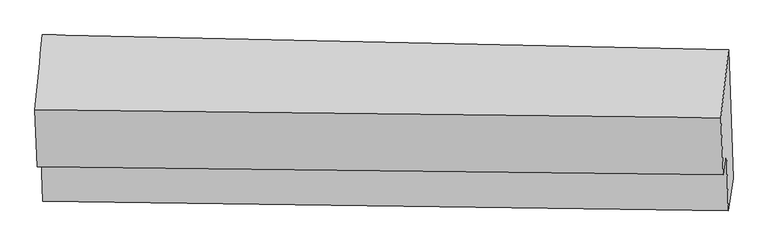
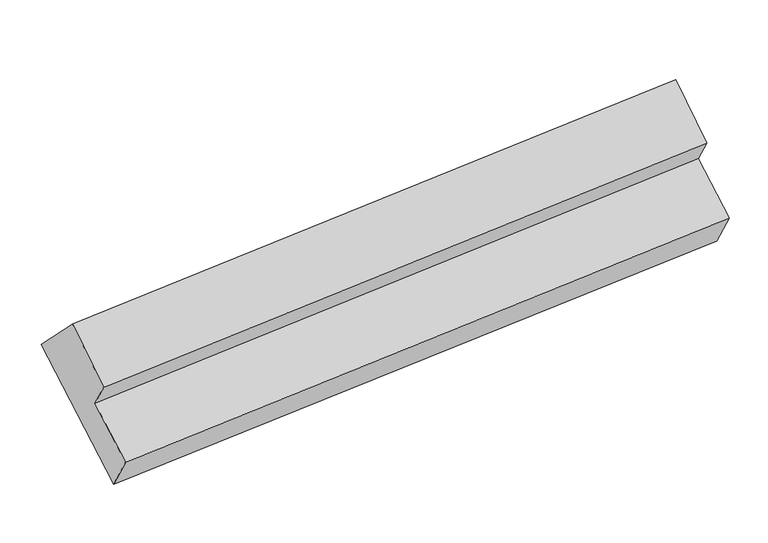
"""IFC4 building model written with IfcOpenShell, lengths in millimetres: proxy geometry."""

from ifc_helpers import new_model, si_unit, frame, origin, place, context, project, spatial, source, transform, mapped, element, save
from ifc_brep_helpers import plane_surface, spline_surface, advanced_brep


def generic_models_a821c9e8(model_context):
    return source(origin(), model_context, "Body", "AdvancedBrep", [
        advanced_brep(
        [(-6100.8882861, -484.1112927, 1693.7935896), (-6171.2514262, -1192.3726621, 2384.6230145), (337.3478464, -1268.3731815, 2960.6703671), (410.6433851, -622.687177, 2219.4840858), (-6056.2795615, -1768.7016315, 849.8409331), (453.0763101, -1844.6213589, 1416.695393), (-6098.6644756, -2063.8053912, 1296.7815273), (409.0924027, -2150.8580633, 1880.4970563), (-6117.4978421, -1521.4639369, 1653.0900696), (390.113983, -1604.3395319, 2239.5498629), (-6148.2613853, -1735.6542319, 1977.4855899), (360.3378873, -1811.6547512, 2553.5329425)],
        [
            (0, 1),
            (1, 2),
            (2, 3),
            (3, 0),
            (4, 0),
            (3, 5),
            (5, 4),
            (6, 4),
            (5, 7),
            (7, 6),
            (8, 6),
            (7, 9),
            (9, 8),
            (10, 8),
            (9, 11),
            (11, 10),
            (1, 10),
            (11, 2),
        ],
        [
            spline_surface(1, 1, [[(-6100.8882861, -484.1112927, 1693.7935896), (410.6433851, -622.687177, 2219.4840858)], [(-6171.2514262, -1192.3726621, 2384.6230145), (337.3478464, -1268.3731815, 2960.6703671)]], [2, 2], [2, 2], [0.0, 1.0], [0.0, 1.0]),
            plane_surface(frame((-6078.5839238, -1126.4064621, 1271.8172614), z_axis=(0.07885132436075923, 0.5492855266183814, -0.831906171929336), x_axis=(-0.029010662405060596, 0.8354154247279327, 0.5488528487613666))),
            plane_surface(frame((-6077.4720185, -1916.2535114, 1073.3112302), z_axis=(0.03798442925776639, -0.8355541645661354, -0.5480934420426404), x_axis=(0.07889220598540587, 0.5492847407553063, -0.8319028148817218))),
            plane_surface(frame((-6108.0811589, -1792.6346641, 1474.9357984), z_axis=(-0.08194182360600022, -0.5492235035710104, 0.8316484116916881), x_axis=(0.029010662404995603, -0.8354154247279305, -0.5488528487613732))),
            plane_surface(frame((-6132.8796137, -1628.5590844, 1815.2878297), z_axis=(0.03874662031852782, -0.8355628269473266, -0.5480268803970147), x_axis=(0.07889220598540592, 0.5492847407553061, -0.831902814881722))),
            plane_surface(frame((-6159.7564058, -1464.013447, 2181.0543022), z_axis=(-0.07747836326324495, -0.5999895625854166, 0.7962472153889201), x_axis=(0.033843876874773575, -0.7997704151759358, -0.599351211734319))),
            plane_surface(frame((393.4353024, -1550.422344, 2211.7382846), z_axis=(0.9964609381714767, -0.019166160283859885, 0.08184287994928895), x_axis=(0.029010662404995603, -0.8354154247279305, -0.5488528487613732))),
            plane_surface(frame((-6115.4738295, -1461.0181911, 1642.602454), z_axis=(-0.996460938171477, 0.01916616028384522, -0.08184287994929015), x_axis=(0.07093900395738509, 0.7140579001889854, -0.6964832897458713))),
        ],
        [
            (0, [[1, 2, 3, 4]]),
            (1, [[5, -4, 6, 7]]),
            (2, [[8, -7, 9, 10]]),
            (3, [[11, -10, 12, 13]]),
            (4, [[14, -13, 15, 16]]),
            (5, [[17, -16, 18, -2]]),
            (6, [[-12, -9, -6, -3, -18, -15]]),
            (7, [[-1, -5, -8, -11, -14, -17]]),
        ],
    ),
    ])


if __name__ == "__main__":
    model = new_model("IFC4")
    model_context = context("Model", 3, world=origin())
    ifc_project = project(units=[si_unit("LENGTHUNIT", "METRE", prefix="MILLI")], contexts=[model_context])
    site = spatial("IfcSite", under=ifc_project)
    building = spatial("IfcBuilding", under=site)
    placement = place(None, origin())
    generic_models_shape = generic_models_a821c9e8(model_context)
    element("IfcBuildingElementProxy", 1, Name="Generic Models", at=placement, inside=building, context=model_context, shape_type="MappedRepresentation", body=[
        mapped(generic_models_shape, transform((0.0, 0.0, 0.0), x_axis=(1.0, 0.0, 0.0), y_axis=(0.0, 1.0, 0.0), z_axis=(0.0, 0.0, 1.0))),
    ])
    save(model, "model.ifc")
